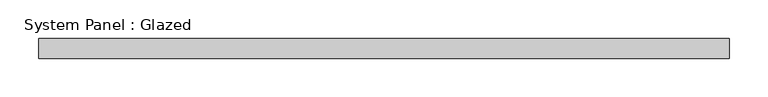
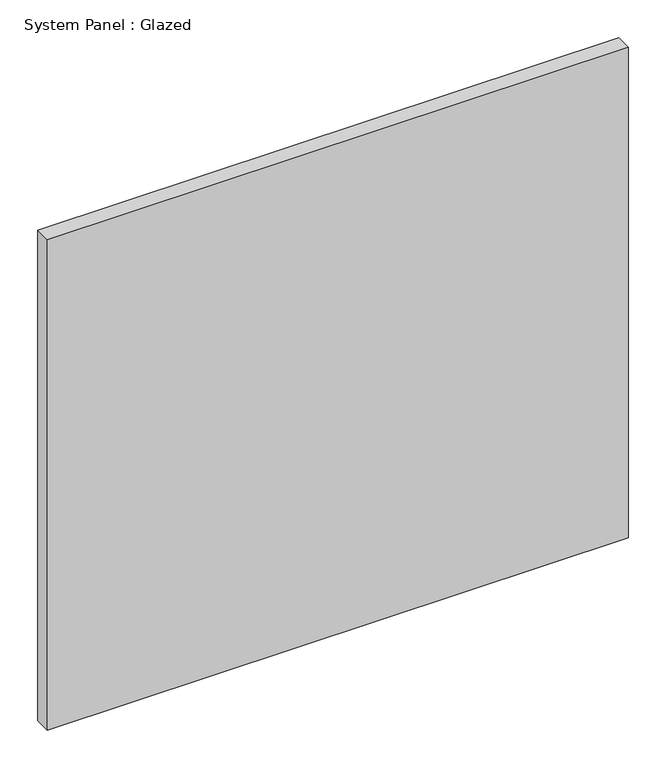
"""IFC4 building model written with IfcOpenShell, lengths in millimetres: plate geometry, System Panel : Glazed."""

import ifcopenshell
import ifcopenshell.guid

model = None  # the IFC model being written
_history = None  # IfcOwnerHistory: only IFC2X3 demands one
_inside = {}  # id of a spatial element -> (the spatial element, [elements in it])
_under = {}  # id of a project, library or spatial element -> (it, [spatial elements below it])
_declared = {}  # id of a project -> (the project, [libraries it declares])
_typed = {}  # id of a type object -> (the type object, [elements of that type])
_made_of = {}  # id of a material, layer set ... -> (it, [elements and type objects made of it])


def new_model(schema):
    """Start an empty IFC model of exactly this schema.

    Asked for "IFC4X3", IfcOpenShell would pick the latest addendum, in which some entities
    have other attributes; the version numbers below select the first issue.
    IFC2X3 requires an IfcOwnerHistory on every rooted entity: one is made here for all.
    """
    global model, _history
    if schema == "IFC4X3":
        model = ifcopenshell.file(schema_version=(4, 3, 0, 0))
    else:
        model = ifcopenshell.file(schema=schema)
    _inside.clear()
    _under.clear()
    _declared.clear()
    _typed.clear()
    _made_of.clear()
    _history = None
    if model.schema == "IFC2X3":
        org = make("IfcOrganization", Name="unknown")
        user = make(
            "IfcPersonAndOrganization",
            ThePerson=make("IfcPerson", FamilyName="unknown"),
            TheOrganization=org,
        )
        app = make(
            "IfcApplication",
            ApplicationDeveloper=org,
            Version="unknown",
            ApplicationFullName="unknown",
            ApplicationIdentifier="unknown",
        )
        _history = make(
            "IfcOwnerHistory",
            OwningUser=user,
            OwningApplication=app,
            ChangeAction="ADDED",
            CreationDate=0,
        )
    return model


def make(cls, **values):
    """One entity of the class cls with the attributes given. An attribute that is None is left unset."""
    return model.create_entity(
        cls, **{name: value for name, value in values.items() if value is not None}
    )


def rooted(cls, **values):
    """An entity with a GlobalId (a new one), such as an element, a storey or a relation."""
    return make(cls, GlobalId=ifcopenshell.guid.new(), OwnerHistory=_history, **values)


def si_unit(unit_type, name, prefix=None):
    """IfcSIUnit, for example si_unit("LENGTHUNIT", "METRE", prefix="MILLI")."""
    return make("IfcSIUnit", UnitType=unit_type, Prefix=prefix, Name=name)


def assignment(units):
    """IfcUnitAssignment: the units of a project."""
    return None if units is None else make("IfcUnitAssignment", Units=units)


def point(xyz):
    """IfcCartesianPoint."""
    return None if xyz is None else make("IfcCartesianPoint", Coordinates=xyz)


def direction(xyz):
    """IfcDirection."""
    return None if xyz is None else make("IfcDirection", DirectionRatios=xyz)


def frame(location, z_axis=None, x_axis=None):
    """IfcAxis2Placement3D, a coordinate frame: its origin and axes. An axis left out is left unset."""
    return make(
        "IfcAxis2Placement3D",
        Location=point(location),
        Axis=direction(z_axis),
        RefDirection=direction(x_axis),
    )


def origin():
    """The frame at (0, 0, 0) with its axes left unset."""
    return frame((0.0, 0.0, 0.0))


def origin_with_axes():
    """The frame at (0, 0, 0) with the z axis (0, 0, 1) and the x axis (1, 0, 0) written out."""
    return frame((0.0, 0.0, 0.0), z_axis=(0.0, 0.0, 1.0), x_axis=(1.0, 0.0, 0.0))


def place(relative_to, where):
    """IfcLocalPlacement: puts the frame where relative to a parent placement (None: the world)."""
    return make(
        "IfcLocalPlacement", PlacementRelTo=relative_to, RelativePlacement=where
    )


def context(
    kind, dimensions, precision=None, world=None, true_north=None, identifier=None
):
    """IfcGeometricRepresentationContext, for example the 3D "Model" context."""
    return make(
        "IfcGeometricRepresentationContext",
        ContextIdentifier=identifier,
        ContextType=kind,
        CoordinateSpaceDimension=dimensions,
        Precision=precision,
        WorldCoordinateSystem=world,
        TrueNorth=true_north,
    )


def project(units=None, contexts=None):
    """IfcProject with its units and contexts."""
    return rooted(
        "IfcProject",
        Name="project",
        RepresentationContexts=contexts,
        UnitsInContext=assignment(units),
    )


def spatial(cls, under=None, at=None, **own):
    """A site, building, storey or space (cls), placed at a placement, below another one or the project."""
    s = rooted(cls, ObjectPlacement=at, **own)
    if under is not None:
        _under.setdefault(under.id(), (under, []))[1].append(s)
    return s


def polyline(points):
    """IfcPolyline through the points."""
    return make("IfcPolyline", Points=[point(p) for p in points])


def outline(outer, holes=None, kind="AREA"):
    """IfcArbitraryClosedProfileDef: a profile drawn as a closed curve; with holes, ...WithVoids."""
    if holes is None:
        return make("IfcArbitraryClosedProfileDef", ProfileType=kind, OuterCurve=outer)
    return make(
        "IfcArbitraryProfileDefWithVoids",
        ProfileType=kind,
        OuterCurve=outer,
        InnerCurves=holes,
    )


def extrude(swept, where, along, depth):
    """IfcExtrudedAreaSolid: the profile swept, set in the frame where, extruded along a direction by depth."""
    return make(
        "IfcExtrudedAreaSolid",
        SweptArea=swept,
        Position=where,
        ExtrudedDirection=direction(along),
        Depth=depth,
    )


def shape(context_of_items, identifier, shape_type, items):
    """IfcShapeRepresentation: the items that make up one representation, for example the "Body"."""
    return make(
        "IfcShapeRepresentation",
        ContextOfItems=context_of_items,
        RepresentationIdentifier=identifier,
        RepresentationType=shape_type,
        Items=items,
    )


def source(mapping_origin, context_of_items, identifier, shape_type, items):
    """IfcRepresentationMap: a shape defined once, which mapped items show again and again."""
    return make(
        "IfcRepresentationMap",
        MappingOrigin=mapping_origin,
        MappedRepresentation=shape(context_of_items, identifier, shape_type, items),
    )


def transform(
    local_origin,
    x_axis=None,
    y_axis=None,
    z_axis=None,
    scale=None,
    scale2=None,
    scale3=None,
    uniform=True,
):
    """IfcCartesianTransformationOperator3D, or its non-uniform kind. x_axis, y_axis, z_axis: its Axis1, 2, 3."""
    if uniform:
        return make(
            "IfcCartesianTransformationOperator3D",
            Axis1=direction(x_axis),
            Axis2=direction(y_axis),
            LocalOrigin=point(local_origin),
            Scale=scale,
            Axis3=direction(z_axis),
        )
    return make(
        "IfcCartesianTransformationOperator3DnonUniform",
        Axis1=direction(x_axis),
        Axis2=direction(y_axis),
        LocalOrigin=point(local_origin),
        Scale=scale,
        Axis3=direction(z_axis),
        Scale2=scale2,
        Scale3=scale3,
    )


def mapped(mapping_source, mapping_target):
    """IfcMappedItem: shows the shape of a source again, moved by a transform."""
    return make(
        "IfcMappedItem", MappingSource=mapping_source, MappingTarget=mapping_target
    )


def made_of(thing, what):
    """Note that an element or type object is made of a material, layer set ...; save() writes the relation."""
    if what is not None:
        _made_of.setdefault(what.id(), (what, []))[1].append(thing)
    return thing


def element(
    cls,
    number,
    at=None,
    inside=None,
    cuts=None,
    type_object=None,
    material=None,
    context=None,
    identifier="Body",
    shape_type=None,
    held_by="IfcProductDefinitionShape",
    body=None,
    shapes=None,
    **own,
):
    """One element of the class cls, such as IfcWall. Its Tag is "e" and its number.

    at: its placement. inside: the storey or other place that contains it. cuts: it is an
    opening in that element (IfcRelVoidsElement). A single representation is given by context,
    identifier, shape_type and body (its items); several are given by shapes. held_by: the class
    of the entity that holds the representations. save() writes the other relations.
    """
    e = rooted(cls, Tag="e%d" % number, ObjectPlacement=at, **own)
    if body is not None:
        shapes = [shape(context, identifier, shape_type, body)]
    if shapes is not None:
        e.Representation = make(held_by, Representations=shapes)
    if inside is not None:
        _inside.setdefault(inside.id(), (inside, []))[1].append(e)
    if cuts is not None:
        rooted(
            "IfcRelVoidsElement", RelatingBuildingElement=cuts, RelatedOpeningElement=e
        )
    if type_object is not None:
        _typed.setdefault(type_object.id(), (type_object, []))[1].append(e)
    return made_of(e, material)


def aggregate(whole, parts):
    """IfcRelAggregates: a whole, such as a stair, and the parts it consists of."""
    return rooted("IfcRelAggregates", RelatingObject=whole, RelatedObjects=parts)


def save(model, path):
    """Write the relations noted so far, then the file.

    IfcRelAggregates (storeys below a building ...), IfcRelContainedInSpatialStructure (elements
    in a storey), IfcRelDefinesByType, IfcRelAssociatesMaterial and IfcRelDeclares: one each for
    every whole, place, type object, material and project.
    """
    for whole, parts in _under.values():
        aggregate(whole, parts)
    for where, things in _inside.values():
        rooted(
            "IfcRelContainedInSpatialStructure",
            RelatedElements=things,
            RelatingStructure=where,
        )
    for kind, things in _typed.values():
        rooted("IfcRelDefinesByType", RelatedObjects=things, RelatingType=kind)
    for what, things in _made_of.values():
        rooted("IfcRelAssociatesMaterial", RelatedObjects=things, RelatingMaterial=what)
    for by, libraries in _declared.values():
        rooted("IfcRelDeclares", RelatingContext=by, RelatedDefinitions=libraries)
    model.write(path)


def system_panel_glazed_d96c122c(model_context):
    return source(origin(), model_context, "Body", "SweptSolid", [
        extrude(outline(polyline([(444.5, -44.45), (-444.5, -44.45), (-444.5, -19.05), (444.5, -19.05), (444.5, -44.45)])), origin_with_axes(), (0.0, 0.0, 1.0), 793.75),
    ])


if __name__ == "__main__":
    model = new_model("IFC4")
    model_context = context("Model", 3, world=origin())
    ifc_project = project(units=[si_unit("LENGTHUNIT", "METRE", prefix="MILLI")], contexts=[model_context])
    site = spatial("IfcSite", under=ifc_project)
    building = spatial("IfcBuilding", under=site)
    placement = place(None, origin())
    system_panel_glazed_shape = system_panel_glazed_d96c122c(model_context)
    element("IfcPlate", 1, ObjectType="System Panel : Glazed", at=placement, inside=building, context=model_context, shape_type="MappedRepresentation", body=[
        mapped(system_panel_glazed_shape, transform((0.0, 0.0, 0.0), x_axis=(1.0, 0.0, 0.0), y_axis=(0.0, 1.0, 0.0), z_axis=(0.0, 0.0, 1.0))),
    ])
    save(model, "model.ifc")
